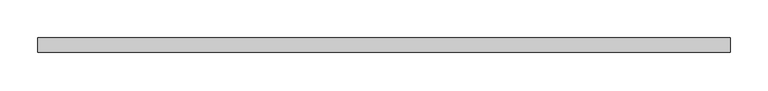
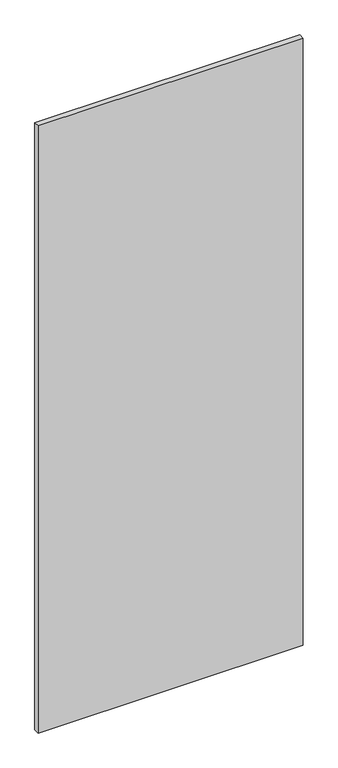
"""IFC4 building model written with IfcOpenShell, lengths in millimetres: proxy geometry."""

from ifc_helpers import new_model, si_unit, frame, origin, place, context, project, spatial, polyline, outline, extrude, source, transform, mapped, element, save


def specialty_equipment_60c0acd6(model_context):
    return source(origin(), model_context, "Body", "SweptSolid", [
        extrude(outline(polyline([(455.4056163, -9.525), (-455.4056163, -9.525), (-455.4056163, 9.525), (455.4056163, 9.525), (455.4056163, -9.525)])), frame((0.0, 0.0, 3.175), z_axis=(0.0, 0.0, 1.0), x_axis=(1.0, 0.0, 0.0)), (0.0, 0.0, 1.0), 2203.45),
    ])


if __name__ == "__main__":
    model = new_model("IFC4")
    model_context = context("Model", 3, world=origin())
    ifc_project = project(units=[si_unit("LENGTHUNIT", "METRE", prefix="MILLI")], contexts=[model_context])
    site = spatial("IfcSite", under=ifc_project)
    building = spatial("IfcBuilding", under=site)
    placement = place(None, origin())
    specialty_equipment_shape = specialty_equipment_60c0acd6(model_context)
    element("IfcBuildingElementProxy", 1, Name="Specialty Equipment", at=placement, inside=building, context=model_context, shape_type="MappedRepresentation", body=[
        mapped(specialty_equipment_shape, transform((0.0, 0.0, 0.0), x_axis=(1.0, 0.0, 0.0), y_axis=(0.0, 1.0, 0.0), z_axis=(0.0, 0.0, 1.0))),
    ])
    save(model, "model.ifc")
